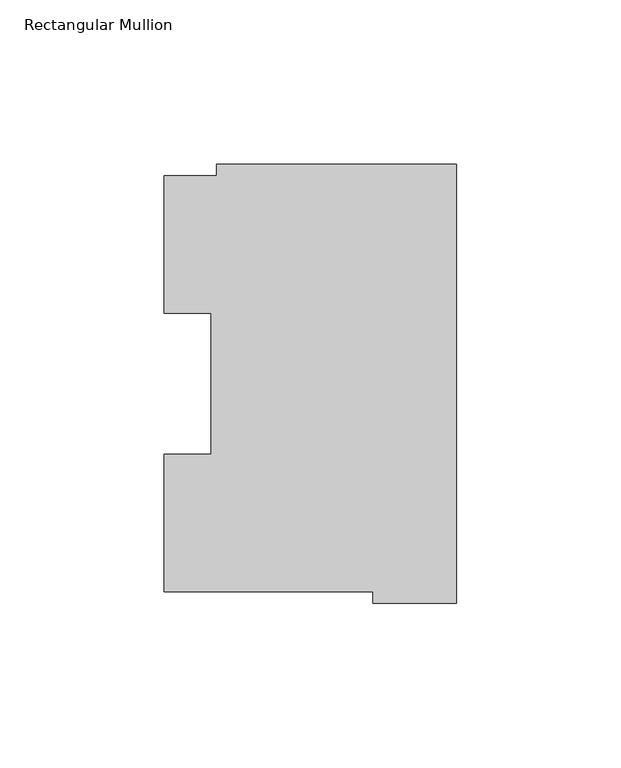
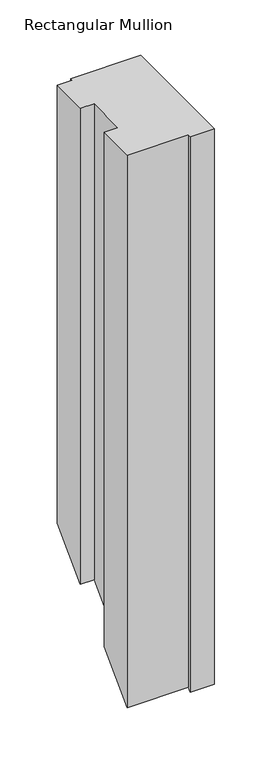
"""IFC4 building model written with IfcOpenShell, lengths in millimetres: member geometry, Rectangular Mullion."""

import ifcopenshell
import ifcopenshell.guid

model = None  # the IFC model being written
_history = None  # IfcOwnerHistory: only IFC2X3 demands one
_inside = {}  # id of a spatial element -> (the spatial element, [elements in it])
_under = {}  # id of a project, library or spatial element -> (it, [spatial elements below it])
_declared = {}  # id of a project -> (the project, [libraries it declares])
_typed = {}  # id of a type object -> (the type object, [elements of that type])
_made_of = {}  # id of a material, layer set ... -> (it, [elements and type objects made of it])


def new_model(schema):
    """Start an empty IFC model of exactly this schema.

    Asked for "IFC4X3", IfcOpenShell would pick the latest addendum, in which some entities
    have other attributes; the version numbers below select the first issue.
    IFC2X3 requires an IfcOwnerHistory on every rooted entity: one is made here for all.
    """
    global model, _history
    if schema == "IFC4X3":
        model = ifcopenshell.file(schema_version=(4, 3, 0, 0))
    else:
        model = ifcopenshell.file(schema=schema)
    _inside.clear()
    _under.clear()
    _declared.clear()
    _typed.clear()
    _made_of.clear()
    _history = None
    if model.schema == "IFC2X3":
        org = make("IfcOrganization", Name="unknown")
        user = make(
            "IfcPersonAndOrganization",
            ThePerson=make("IfcPerson", FamilyName="unknown"),
            TheOrganization=org,
        )
        app = make(
            "IfcApplication",
            ApplicationDeveloper=org,
            Version="unknown",
            ApplicationFullName="unknown",
            ApplicationIdentifier="unknown",
        )
        _history = make(
            "IfcOwnerHistory",
            OwningUser=user,
            OwningApplication=app,
            ChangeAction="ADDED",
            CreationDate=0,
        )
    return model


def make(cls, **values):
    """One entity of the class cls with the attributes given. An attribute that is None is left unset."""
    return model.create_entity(
        cls, **{name: value for name, value in values.items() if value is not None}
    )


def rooted(cls, **values):
    """An entity with a GlobalId (a new one), such as an element, a storey or a relation."""
    return make(cls, GlobalId=ifcopenshell.guid.new(), OwnerHistory=_history, **values)


def si_unit(unit_type, name, prefix=None):
    """IfcSIUnit, for example si_unit("LENGTHUNIT", "METRE", prefix="MILLI")."""
    return make("IfcSIUnit", UnitType=unit_type, Prefix=prefix, Name=name)


def assignment(units):
    """IfcUnitAssignment: the units of a project."""
    return None if units is None else make("IfcUnitAssignment", Units=units)


def point(xyz):
    """IfcCartesianPoint."""
    return None if xyz is None else make("IfcCartesianPoint", Coordinates=xyz)


def direction(xyz):
    """IfcDirection."""
    return None if xyz is None else make("IfcDirection", DirectionRatios=xyz)


def frame(location, z_axis=None, x_axis=None):
    """IfcAxis2Placement3D, a coordinate frame: its origin and axes. An axis left out is left unset."""
    return make(
        "IfcAxis2Placement3D",
        Location=point(location),
        Axis=direction(z_axis),
        RefDirection=direction(x_axis),
    )


def origin():
    """The frame at (0, 0, 0) with its axes left unset."""
    return frame((0.0, 0.0, 0.0))


def place(relative_to, where):
    """IfcLocalPlacement: puts the frame where relative to a parent placement (None: the world)."""
    return make(
        "IfcLocalPlacement", PlacementRelTo=relative_to, RelativePlacement=where
    )


def context(
    kind, dimensions, precision=None, world=None, true_north=None, identifier=None
):
    """IfcGeometricRepresentationContext, for example the 3D "Model" context."""
    return make(
        "IfcGeometricRepresentationContext",
        ContextIdentifier=identifier,
        ContextType=kind,
        CoordinateSpaceDimension=dimensions,
        Precision=precision,
        WorldCoordinateSystem=world,
        TrueNorth=true_north,
    )


def project(units=None, contexts=None):
    """IfcProject with its units and contexts."""
    return rooted(
        "IfcProject",
        Name="project",
        RepresentationContexts=contexts,
        UnitsInContext=assignment(units),
    )


def spatial(cls, under=None, at=None, **own):
    """A site, building, storey or space (cls), placed at a placement, below another one or the project."""
    s = rooted(cls, ObjectPlacement=at, **own)
    if under is not None:
        _under.setdefault(under.id(), (under, []))[1].append(s)
    return s


def faces_of(points, faces, orient=None, outer=None):
    """IfcFace entities. A face is a list of loops; a loop is a list of indices into points, from 0.

    orient and outer hold one flag for each loop. By default every Orientation is true, the
    first loop of a face is its IfcFaceOuterBound and the others are IfcFaceBound.
    """
    made = []
    for i, loops in enumerate(faces):
        bounds = []
        for j, loop in enumerate(loops):
            is_outer = j == 0 if outer is None else outer[i][j]
            bounds.append(
                make(
                    "IfcFaceOuterBound" if is_outer else "IfcFaceBound",
                    Bound=make("IfcPolyLoop", Polygon=[points[k] for k in loop]),
                    Orientation=True if orient is None else orient[i][j],
                )
            )
        made.append(make("IfcFace", Bounds=bounds))
    return made


def faceted_brep(points, faces, orient=None, outer=None, voids=None):
    """IfcFacetedBrep: a solid bounded by flat faces; with voids (closed shells), ...WithVoids."""
    shared = [point(p) for p in points]
    hull = make("IfcClosedShell", CfsFaces=faces_of(shared, faces, orient, outer))
    if voids is None:
        return make("IfcFacetedBrep", Outer=hull)
    return make(
        "IfcFacetedBrepWithVoids",
        Outer=hull,
        Voids=[
            make(cls, CfsFaces=faces_of(shared, fs, o, b)) for cls, fs, o, b in voids
        ],
    )


def shape(context_of_items, identifier, shape_type, items):
    """IfcShapeRepresentation: the items that make up one representation, for example the "Body"."""
    return make(
        "IfcShapeRepresentation",
        ContextOfItems=context_of_items,
        RepresentationIdentifier=identifier,
        RepresentationType=shape_type,
        Items=items,
    )


def source(mapping_origin, context_of_items, identifier, shape_type, items):
    """IfcRepresentationMap: a shape defined once, which mapped items show again and again."""
    return make(
        "IfcRepresentationMap",
        MappingOrigin=mapping_origin,
        MappedRepresentation=shape(context_of_items, identifier, shape_type, items),
    )


def transform(
    local_origin,
    x_axis=None,
    y_axis=None,
    z_axis=None,
    scale=None,
    scale2=None,
    scale3=None,
    uniform=True,
):
    """IfcCartesianTransformationOperator3D, or its non-uniform kind. x_axis, y_axis, z_axis: its Axis1, 2, 3."""
    if uniform:
        return make(
            "IfcCartesianTransformationOperator3D",
            Axis1=direction(x_axis),
            Axis2=direction(y_axis),
            LocalOrigin=point(local_origin),
            Scale=scale,
            Axis3=direction(z_axis),
        )
    return make(
        "IfcCartesianTransformationOperator3DnonUniform",
        Axis1=direction(x_axis),
        Axis2=direction(y_axis),
        LocalOrigin=point(local_origin),
        Scale=scale,
        Axis3=direction(z_axis),
        Scale2=scale2,
        Scale3=scale3,
    )


def mapped(mapping_source, mapping_target):
    """IfcMappedItem: shows the shape of a source again, moved by a transform."""
    return make(
        "IfcMappedItem", MappingSource=mapping_source, MappingTarget=mapping_target
    )


def made_of(thing, what):
    """Note that an element or type object is made of a material, layer set ...; save() writes the relation."""
    if what is not None:
        _made_of.setdefault(what.id(), (what, []))[1].append(thing)
    return thing


def element(
    cls,
    number,
    at=None,
    inside=None,
    cuts=None,
    type_object=None,
    material=None,
    context=None,
    identifier="Body",
    shape_type=None,
    held_by="IfcProductDefinitionShape",
    body=None,
    shapes=None,
    **own,
):
    """One element of the class cls, such as IfcWall. Its Tag is "e" and its number.

    at: its placement. inside: the storey or other place that contains it. cuts: it is an
    opening in that element (IfcRelVoidsElement). A single representation is given by context,
    identifier, shape_type and body (its items); several are given by shapes. held_by: the class
    of the entity that holds the representations. save() writes the other relations.
    """
    e = rooted(cls, Tag="e%d" % number, ObjectPlacement=at, **own)
    if body is not None:
        shapes = [shape(context, identifier, shape_type, body)]
    if shapes is not None:
        e.Representation = make(held_by, Representations=shapes)
    if inside is not None:
        _inside.setdefault(inside.id(), (inside, []))[1].append(e)
    if cuts is not None:
        rooted(
            "IfcRelVoidsElement", RelatingBuildingElement=cuts, RelatedOpeningElement=e
        )
    if type_object is not None:
        _typed.setdefault(type_object.id(), (type_object, []))[1].append(e)
    return made_of(e, material)


def aggregate(whole, parts):
    """IfcRelAggregates: a whole, such as a stair, and the parts it consists of."""
    return rooted("IfcRelAggregates", RelatingObject=whole, RelatedObjects=parts)


def save(model, path):
    """Write the relations noted so far, then the file.

    IfcRelAggregates (storeys below a building ...), IfcRelContainedInSpatialStructure (elements
    in a storey), IfcRelDefinesByType, IfcRelAssociatesMaterial and IfcRelDeclares: one each for
    every whole, place, type object, material and project.
    """
    for whole, parts in _under.values():
        aggregate(whole, parts)
    for where, things in _inside.values():
        rooted(
            "IfcRelContainedInSpatialStructure",
            RelatedElements=things,
            RelatingStructure=where,
        )
    for kind, things in _typed.values():
        rooted("IfcRelDefinesByType", RelatedObjects=things, RelatingType=kind)
    for what, things in _made_of.values():
        rooted("IfcRelAssociatesMaterial", RelatedObjects=things, RelatingMaterial=what)
    for by, libraries in _declared.values():
        rooted("IfcRelDeclares", RelatingContext=by, RelatedDefinitions=libraries)
    model.write(path)


def rectangular_mullion_f2741214(model_context):
    return source(origin(), model_context, "Body", "Brep", [
        faceted_brep([(-88.8772701, 126.75235, 0.0), (-88.8772701, 84.93125, 0.0), (-74.5947228, 84.93125, 0.0), (-74.5947228, 42.0334858, 0.0), (-88.8772701, 42.0334858, 0.0), (-88.8772701, 0.26035, 0.0), (-25.3772701, 0.26035, 0.0), (-25.3772701, -3.193538, 0.0), (0.0, -3.193538, 0.0), (0.0, 130.1706837, 0.0), (-73.025, 130.1706837, 0.0), (-73.025, 126.75235, 0.0), (-88.8772701, 126.75235, -482.84765), (-88.8772701, 84.93125, -524.66875), (-74.5947228, 84.93125, -524.66875), (-74.5947228, 42.0334858, -567.5665142), (-88.8772701, 42.0334858, -567.5665142), (-88.8772701, 0.26035, -609.33965), (-25.3772701, 0.26035, -609.33965), (-25.3772701, -3.193538, -612.793538), (0.0, -3.193538, -612.793538), (0.0, 130.1706837, -479.4293163), (-73.025, 130.1706837, -479.4293163), (-73.025, 126.75235, -482.84765)], [[[0, 1, 2, 3, 4, 5, 6, 7, 8, 9, 10, 11]], [[1, 0, 12, 13]], [[2, 1, 13, 14]], [[3, 2, 14, 15]], [[4, 3, 15, 16]], [[5, 4, 16, 17]], [[6, 5, 17, 18]], [[7, 6, 18, 19]], [[8, 7, 19, 20]], [[9, 8, 20, 21]], [[10, 9, 21, 22]], [[11, 10, 22, 23]], [[0, 11, 23, 12]], [[12, 23, 22, 21, 20, 19, 18, 17, 16, 15, 14, 13]]]),
    ])


if __name__ == "__main__":
    model = new_model("IFC4")
    model_context = context("Model", 3, world=origin())
    ifc_project = project(units=[si_unit("LENGTHUNIT", "METRE", prefix="MILLI")], contexts=[model_context])
    site = spatial("IfcSite", under=ifc_project)
    building = spatial("IfcBuilding", under=site)
    placement = place(None, origin())
    rectangular_mullion_shape = rectangular_mullion_f2741214(model_context)
    element("IfcMember", 1, ObjectType="Rectangular Mullion", at=placement, inside=building, context=model_context, shape_type="MappedRepresentation", body=[
        mapped(rectangular_mullion_shape, transform((0.0, 0.0, 0.0), x_axis=(1.0, 0.0, 0.0), y_axis=(0.0, 1.0, 0.0), z_axis=(0.0, 0.0, 1.0))),
    ])
    save(model, "model.ifc")
